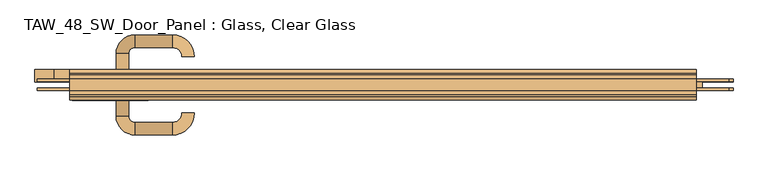
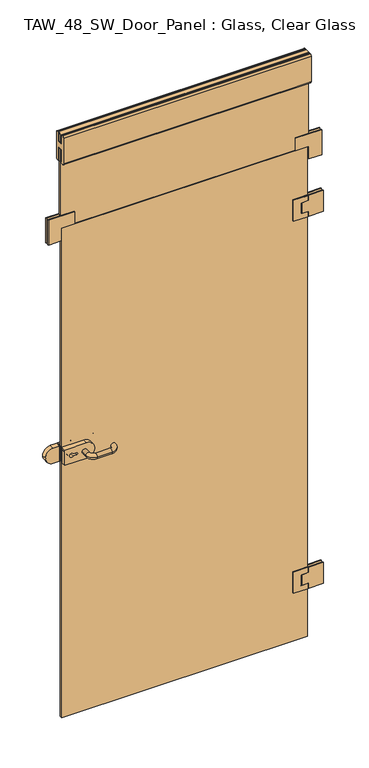
"""IFC4 building model written with IfcOpenShell, lengths in millimetres: door geometry, TAW_48_SW_Door_Panel : Glass, Clear Glass."""

from ifc_helpers import new_model, si_unit, point, frame, frame_2d, origin, place, context, project, spatial, polyline, circle_curve, ellipse_curve, trimmed, segment, composite_curve, outline, extrude, source, transform, mapped, element, save
from ifc_brep_helpers import plane_surface, cylinder_surface, revolved_surface, advanced_brep


def taw_48_sw_door_panel_glass_clear_glass_dbb18d45(model_context):
    return source(origin(), model_context, "Body", "SolidModel", [
        extrude(outline(composite_curve([segment(polyline([(1162.5, -407.0), (1162.5, -496.0), (1097.5, -496.0), (1097.5, -407.0)]), True, "CONTINUOUS"), segment(trimmed(circle_curve(frame_2d((1130.0, -407.0)), 32.5), [point((1097.5, -407.0))], [point((1162.5, -407.0))], False, "CARTESIAN"), True, "CONTINUOUS")], self_intersect=False), holes=[composite_curve([segment(trimmed(circle_curve(frame_2d((1130.0, -468.3829212)), 8.0), [point((1126.0, -461.454718))], [point((1134.0, -461.454718))], True, "CARTESIAN"), True, "CONTINUOUS"), segment(polyline([(1134.0, -461.454718), (1134.0, -448.3829212)]), True, "CONTINUOUS"), segment(trimmed(circle_curve(frame_2d((1130.0, -448.3829212)), 4.0), [point((1134.0, -448.3829212))], [point((1126.0, -448.3829212))], True, "CARTESIAN"), True, "CONTINUOUS"), segment(polyline([(1126.0, -448.3829212), (1126.0, -461.454718)]), True, "CONTINUOUS")], self_intersect=False)]), frame((0.0, 5.0, 0.0), z_axis=(0.0, 1.0, 0.0), x_axis=(0.0, 0.0, 1.0)), (0.0, 0.0, 1.0), 20.0),
        extrude(outline(composite_curve([segment(polyline([(1162.5, -407.0), (1162.5, -496.0), (1097.5, -496.0), (1097.5, -407.0)]), True, "CONTINUOUS"), segment(trimmed(circle_curve(frame_2d((1130.0, -407.0)), 32.5), [point((1097.5, -407.0))], [point((1162.5, -407.0))], False, "CARTESIAN"), True, "CONTINUOUS")], self_intersect=False), holes=[composite_curve([segment(trimmed(circle_curve(frame_2d((1130.0, -468.3829212)), 8.0), [point((1126.0, -461.454718))], [point((1134.0, -461.454718))], True, "CARTESIAN"), True, "CONTINUOUS"), segment(polyline([(1134.0, -461.454718), (1134.0, -448.3829212)]), True, "CONTINUOUS"), segment(trimmed(circle_curve(frame_2d((1130.0, -448.3829212)), 4.0), [point((1134.0, -448.3829212))], [point((1126.0, -448.3829212))], True, "CARTESIAN"), True, "CONTINUOUS"), segment(polyline([(1126.0, -448.3829212), (1126.0, -461.454718)]), True, "CONTINUOUS")], self_intersect=False)]), frame((0.0, -25.0, 0.0), z_axis=(0.0, 1.0, 0.0), x_axis=(0.0, 0.0, 1.0)), (0.0, 0.0, 1.0), 20.0),
        advanced_brep(
        [(-406.0, -25.0, 1130.0), (-426.0, -25.0, 1130.0), (-406.0, -50.0, 1130.0), (-426.0, -50.0, 1130.0), (-396.0, -60.0, 1130.0), (-396.0, -80.0, 1130.0), (-336.0, -60.0, 1130.0), (-336.0, -80.0, 1130.0), (-321.0, -45.0, 1130.0), (-301.0, -45.0, 1130.0)],
        [
            (0, 1, circle_curve(frame((-416.0, -25.0, 1130.0), z_axis=(0.0, 1.0, 0.0), x_axis=(-1.0, 0.0, 0.0)), 10.0)),
            (1, 0, circle_curve(frame((-416.0, -25.0, 1130.0), z_axis=(0.0, 1.0, 0.0), x_axis=(-1.0, 0.0, 0.0)), 10.0)),
            (0, 2),
            (2, 3, circle_curve(frame((-416.0, -50.0, 1130.0), z_axis=(0.0, 1.0, 0.0), x_axis=(-1.0, 0.0, 0.0)), 10.0)),
            (3, 1),
            (3, 2, circle_curve(frame((-416.0, -50.0, 1130.0), z_axis=(0.0, 1.0, 0.0), x_axis=(-1.0, 0.0, 0.0)), 10.0)),
            (4, 5, circle_curve(frame((-396.0, -70.0, 1130.0), z_axis=(-1.0, 0.0, 0.0), x_axis=(0.0, -1.0, 0.0)), 10.0)),
            (5, 3, circle_curve(frame((-396.0, -50.0, 1130.0), z_axis=(0.0, 0.0, -1.0), x_axis=(-1.0, 0.0, 0.0)), 30.0)),
            (2, 4, circle_curve(frame((-396.0, -50.0, 1130.0), z_axis=(0.0, 0.0, 1.0), x_axis=(-1.0, 0.0, 0.0)), 10.0)),
            (5, 4, circle_curve(frame((-396.0, -70.0, 1130.0), z_axis=(-1.0, 0.0, 0.0), x_axis=(0.0, -1.0, 0.0)), 10.0)),
            (4, 6),
            (6, 7, circle_curve(frame((-336.0, -70.0, 1130.0), z_axis=(-1.0, 0.0, 0.0), x_axis=(0.0, -1.0, 0.0)), 10.0)),
            (7, 5),
            (7, 6, circle_curve(frame((-336.0, -70.0, 1130.0), z_axis=(-1.0, 0.0, 0.0), x_axis=(0.0, -1.0, 0.0)), 10.0)),
            (8, 9, circle_curve(frame((-311.0, -45.0, 1130.0), z_axis=(0.0, 1.0, 0.0), x_axis=(1.0, 0.0, 0.0)), 10.0)),
            (9, 8, circle_curve(frame((-311.0, -45.0, 1130.0), z_axis=(0.0, 1.0, 0.0), x_axis=(1.0, 0.0, 0.0)), 10.0)),
            (9, 7, circle_curve(frame((-336.0, -45.0, 1130.0), z_axis=(0.0, 0.0, -1.0), x_axis=(0.0, -1.0, 0.0)), 35.0)),
            (6, 8, circle_curve(frame((-336.0, -45.0, 1130.0), z_axis=(0.0, 0.0, 1.0), x_axis=(0.0, -1.0, 0.0)), 15.0)),
        ],
        [
            plane_surface(frame((-416.0, -25.0, 1130.0), z_axis=(0.0, 1.0, 0.0), x_axis=(0.0, 0.0, 1.0))),
            cylinder_surface(frame((-416.0, -25.0, 1130.0), z_axis=(0.0, 1.0, 0.0), x_axis=(-1.0, 0.0, 0.0)), 10.0),
            revolved_surface(trimmed(ellipse_curve(frame((-416.0, -50.0, 1130.0), z_axis=(0.0, -1.0, 0.0), x_axis=(-1.0, 0.0, 0.0)), 10.0, 10.0), [point((-426.0, -50.0, 1130.0))], [point((-406.0, -50.0, 1130.0))], True, "CARTESIAN"), (-396.0, -50.0, 1130.0), (0.0, 0.0, -1.0)),
            revolved_surface(trimmed(ellipse_curve(frame((-416.0, -50.0, 1130.0), z_axis=(0.0, -1.0, 0.0), x_axis=(-1.0, 0.0, 0.0)), 10.0, 10.0), [point((-406.0, -50.0, 1130.0))], [point((-426.0, -50.0, 1130.0))], True, "CARTESIAN"), (-396.0, -50.0, 1130.0), (0.0, 0.0, -1.0)),
            cylinder_surface(frame((-396.0, -70.0, 1130.0), z_axis=(-1.0, 0.0, 0.0), x_axis=(0.0, -1.0, 0.0)), 10.0),
            plane_surface(frame((-311.0, -45.0, 1130.0), z_axis=(0.0, 1.0, 0.0), x_axis=(0.0, 0.0, 1.0))),
            revolved_surface(trimmed(ellipse_curve(frame((-336.0, -70.0, 1130.0), z_axis=(1.0, 0.0, 0.0), x_axis=(0.0, -1.0, 0.0)), 10.0, 10.0), [point((-336.0, -80.0, 1130.0))], [point((-336.0, -60.0, 1130.0))], True, "CARTESIAN"), (-336.0, -45.0, 1130.0), (0.0, 0.0, -1.0)),
            revolved_surface(trimmed(ellipse_curve(frame((-336.0, -70.0, 1130.0), z_axis=(1.0, 0.0, 0.0), x_axis=(0.0, -1.0, 0.0)), 10.0, 10.0), [point((-336.0, -60.0, 1130.0))], [point((-336.0, -80.0, 1130.0))], True, "CARTESIAN"), (-336.0, -45.0, 1130.0), (0.0, 0.0, -1.0)),
        ],
        [
            (0, [[1, 2]]),
            (1, [[3, 4, 5, -1]]),
            (1, [[-5, 6, -3, -2]]),
            (2, [[7, 8, -4, 9]]),
            (3, [[10, -9, -6, -8]]),
            (4, [[11, 12, 13, -7]]),
            (4, [[-13, 14, -11, -10]]),
            (5, [[15, 16]]),
            (6, [[-16, 17, -12, 18]]),
            (7, [[-15, -18, -14, -17]]),
        ],
    ),
        advanced_brep(
        [(-426.0, 25.0, 1130.0), (-406.0, 25.0, 1130.0), (-406.0, 50.0, 1130.0), (-426.0, 50.0, 1130.0), (-396.0, 60.0, 1130.0), (-396.0, 80.0, 1130.0), (-336.0, 60.0, 1130.0), (-336.0, 80.0, 1130.0), (-301.0, 45.0, 1130.0), (-321.0, 45.0, 1130.0)],
        [
            (0, 1, circle_curve(frame((-416.0, 25.0, 1130.0), z_axis=(0.0, -1.0, 0.0), x_axis=(1.0, 0.0, 0.0)), 10.0)),
            (1, 0, circle_curve(frame((-416.0, 25.0, 1130.0), z_axis=(0.0, -1.0, 0.0), x_axis=(1.0, 0.0, 0.0)), 10.0)),
            (1, 2),
            (2, 3, circle_curve(frame((-416.0, 50.0, 1130.0), z_axis=(0.0, -1.0, 0.0), x_axis=(1.0, 0.0, 0.0)), 10.0)),
            (3, 0),
            (3, 2, circle_curve(frame((-416.0, 50.0, 1130.0), z_axis=(0.0, -1.0, 0.0), x_axis=(1.0, 0.0, 0.0)), 10.0)),
            (4, 5, circle_curve(frame((-396.0, 70.0, 1130.0), z_axis=(-1.0, 0.0, 0.0), x_axis=(0.0, -1.0, 0.0)), 10.0)),
            (5, 3, circle_curve(frame((-396.0, 50.0, 1130.0), z_axis=(0.0, 0.0, 1.0), x_axis=(-1.0, 0.0, 0.0)), 30.0)),
            (2, 4, circle_curve(frame((-396.0, 50.0, 1130.0), z_axis=(0.0, 0.0, -1.0), x_axis=(-1.0, 0.0, 0.0)), 10.0)),
            (5, 4, circle_curve(frame((-396.0, 70.0, 1130.0), z_axis=(-1.0, 0.0, 0.0), x_axis=(0.0, -1.0, 0.0)), 10.0)),
            (4, 6),
            (6, 7, circle_curve(frame((-336.0, 70.0, 1130.0), z_axis=(-1.0, 0.0, 0.0), x_axis=(0.0, -1.0, 0.0)), 10.0)),
            (7, 5),
            (7, 6, circle_curve(frame((-336.0, 70.0, 1130.0), z_axis=(-1.0, 0.0, 0.0), x_axis=(0.0, -1.0, 0.0)), 10.0)),
            (8, 9, circle_curve(frame((-311.0, 45.0, 1130.0), z_axis=(0.0, -1.0, 0.0), x_axis=(-1.0, 0.0, 0.0)), 10.0)),
            (9, 8, circle_curve(frame((-311.0, 45.0, 1130.0), z_axis=(0.0, -1.0, 0.0), x_axis=(-1.0, 0.0, 0.0)), 10.0)),
            (8, 7, circle_curve(frame((-336.0, 45.0, 1130.0), z_axis=(0.0, 0.0, 1.0), x_axis=(0.0, 1.0, 0.0)), 35.0)),
            (6, 9, circle_curve(frame((-336.0, 45.0, 1130.0), z_axis=(0.0, 0.0, -1.0), x_axis=(0.0, 1.0, 0.0)), 15.0)),
        ],
        [
            plane_surface(frame((-416.0, 25.0, 1130.0), z_axis=(0.0, -1.0, 0.0), x_axis=(0.0, 0.0, 1.0))),
            cylinder_surface(frame((-416.0, 25.0, 1130.0), z_axis=(0.0, -1.0, 0.0), x_axis=(1.0, 0.0, 0.0)), 10.0),
            revolved_surface(trimmed(ellipse_curve(frame((-416.0, 50.0, 1130.0), z_axis=(0.0, 1.0, 0.0), x_axis=(1.0, 0.0, 0.0)), 10.0, 10.0), [point((-426.0, 50.0, 1130.0))], [point((-406.0, 50.0, 1130.0))], True, "CARTESIAN"), (-396.0, 50.0, 1130.0), (0.0, 0.0, 1.0)),
            revolved_surface(trimmed(ellipse_curve(frame((-416.0, 50.0, 1130.0), z_axis=(0.0, 1.0, 0.0), x_axis=(1.0, 0.0, 0.0)), 10.0, 10.0), [point((-406.0, 50.0, 1130.0))], [point((-426.0, 50.0, 1130.0))], True, "CARTESIAN"), (-396.0, 50.0, 1130.0), (0.0, 0.0, 1.0)),
            cylinder_surface(frame((-396.0, 70.0, 1130.0), z_axis=(-1.0, 0.0, 0.0), x_axis=(0.0, -1.0, 0.0)), 10.0),
            plane_surface(frame((-311.0, 45.0, 1130.0), z_axis=(0.0, -1.0, 0.0), x_axis=(0.0, 0.0, 1.0))),
            revolved_surface(trimmed(ellipse_curve(frame((-336.0, 70.0, 1130.0), z_axis=(1.0, 0.0, 0.0), x_axis=(0.0, -1.0, 0.0)), 10.0, 10.0), [point((-336.0, 80.0, 1130.0))], [point((-336.0, 60.0, 1130.0))], True, "CARTESIAN"), (-336.0, 45.0, 1130.0), (0.0, 0.0, 1.0)),
            revolved_surface(trimmed(ellipse_curve(frame((-336.0, 70.0, 1130.0), z_axis=(1.0, 0.0, 0.0), x_axis=(0.0, -1.0, 0.0)), 10.0, 10.0), [point((-336.0, 60.0, 1130.0))], [point((-336.0, 80.0, 1130.0))], True, "CARTESIAN"), (-336.0, 45.0, 1130.0), (0.0, 0.0, 1.0)),
        ],
        [
            (0, [[1, 2]]),
            (1, [[3, 4, 5, -2]]),
            (1, [[-5, 6, -3, -1]]),
            (2, [[7, 8, -4, 9]]),
            (3, [[10, -9, -6, -8]]),
            (4, [[11, 12, 13, -7]]),
            (4, [[-13, 14, -11, -10]]),
            (5, [[15, 16]]),
            (6, [[-15, 17, -12, 18]]),
            (7, [[-16, -18, -14, -17]]),
        ],
    ),
        extrude(outline(composite_curve([segment(trimmed(circle_curve(frame_2d((1129.9592395, -523.0664624)), 32.5981542), [point((1162.5, -525.0))], [point((1130.0, -555.6645912))], False, "CARTESIAN"), True, "CONTINUOUS"), segment(trimmed(circle_curve(frame_2d((1129.9594159, -523.2075357)), 32.4570808), [point((1130.0, -555.6645912))], [point((1097.5518679, -525.0))], False, "CARTESIAN"), True, "CONTINUOUS"), segment(polyline([(1097.5518679, -525.0), (1097.5518679, -500.0), (1162.5, -500.0), (1162.5, -525.0)]), True, "CONTINUOUS")], self_intersect=False)), frame((0.0, 5.0, 0.0), z_axis=(0.0, 1.0, 0.0), x_axis=(0.0, 0.0, 1.0)), (0.0, 0.0, 1.0), 20.0),
        extrude(outline(polyline([(2100.0, -446.0), (2152.0, -446.0), (2152.0, -552.0), (2046.0, -552.0), (2046.0, -500.0), (2100.0, -500.0), (2100.0, -446.0)])), frame((0.0, -9.0, 0.0), z_axis=(0.0, 1.0, 0.0), x_axis=(0.0, 0.0, 1.0)), (0.0, 0.0, 1.0), 4.0),
        extrude(outline(polyline([(2100.0, -446.0), (2152.0, -446.0), (2152.0, -552.0), (2046.0, -552.0), (2046.0, -500.0), (2100.0, -500.0), (2100.0, -446.0)])), frame((0.0, 5.0, 0.0), z_axis=(0.0, 1.0, 0.0), x_axis=(0.0, 0.0, 1.0)), (0.0, 0.0, 1.0), 4.0),
        extrude(outline(polyline([(2100.0, 446.0), (2100.0, 500.0), (2046.0, 500.0), (2046.0, 552.0), (2152.0, 552.0), (2152.0, 446.0), (2100.0, 446.0)])), frame((0.0, -9.0, 0.0), z_axis=(0.0, 1.0, 0.0), x_axis=(0.0, 0.0, 1.0)), (0.0, 0.0, 1.0), 4.0),
        extrude(outline(polyline([(2100.0, 446.0), (2100.0, 500.0), (2046.0, 500.0), (2046.0, 552.0), (2152.0, 552.0), (2152.0, 446.0), (2100.0, 446.0)])), frame((0.0, 5.0, 0.0), z_axis=(0.0, 1.0, 0.0), x_axis=(0.0, 0.0, 1.0)), (0.0, 0.0, 1.0), 4.0),
        extrude(outline(polyline([(468.0, -5.0), (468.0, 5.0), (496.0, 5.0), (496.0, -5.0), (468.0, -5.0)])), frame((0.0, 0.0, 1801.0), z_axis=(0.0, 0.0, 1.0), x_axis=(1.0, 0.0, 0.0)), (0.0, 0.0, 1.0), 22.5),
        extrude(outline(polyline([(1891.0, 437.0), (1801.0, 437.0), (1801.0, 496.0), (1823.5, 496.0), (1823.5, 468.0), (1868.5, 468.0), (1868.5, 496.0), (1891.0, 496.0), (1891.0, 437.0)])), frame((0.0, 5.0, 0.0), z_axis=(0.0, 1.0, 0.0), x_axis=(0.0, 0.0, 1.0)), (0.0, 0.0, 1.0), 4.0),
        extrude(outline(polyline([(468.0, -5.0), (468.0, 5.0), (496.0, 5.0), (496.0, -5.0), (468.0, -5.0)])), frame((0.0, 0.0, 1868.5), z_axis=(0.0, 0.0, 1.0), x_axis=(1.0, 0.0, 0.0)), (0.0, 0.0, 1.0), 22.5),
        advanced_brep(
        [(474.0, -9.0, 1868.5), (500.0, -9.0, 1868.5), (500.0, -5.0, 1868.5), (510.0, -5.0, 1868.5), (510.0, 5.0, 1868.5), (500.0, 5.0, 1868.5), (500.0, 9.0, 1868.5), (474.0, 9.0, 1868.5), (474.0, -9.0, 1823.5), (474.0, 9.0, 1823.5), (500.0, 9.0, 1823.5), (500.0, 5.0, 1823.5), (510.0, 5.0, 1823.5), (510.0, -5.0, 1823.5), (500.0, -5.0, 1823.5), (500.0, -9.0, 1823.5), (500.0, 9.0, 1891.0), (559.0, 9.0, 1891.0), (559.0, 9.0, 1801.0), (500.0, 9.0, 1801.0), (500.0, -9.0, 1801.0), (559.0, -9.0, 1801.0), (559.0, -9.0, 1891.0), (500.0, -9.0, 1891.0), (500.0, 5.0, 1891.0), (559.0, 5.0, 1891.0), (559.0, 5.0, 1801.0), (500.0, 5.0, 1801.0), (500.0, -5.0, 1891.0), (559.0, -5.0, 1891.0), (500.0, -5.0, 1801.0), (559.0, -5.0, 1801.0)],
        [
            (0, 1),
            (1, 2),
            (2, 3),
            (3, 4),
            (4, 5),
            (5, 6),
            (6, 7),
            (7, 0, circle_curve(frame((477.75, 0.0, 1868.5), z_axis=(0.0, 0.0, 1.0), x_axis=(0.0, -1.0000000000000004, 0.0)), 9.75)),
            (8, 9, circle_curve(frame((477.75, 0.0, 1823.5), z_axis=(0.0, 0.0, -1.0), x_axis=(0.0, -1.0000000000000004, 0.0)), 9.75)),
            (9, 10),
            (10, 11),
            (11, 12),
            (12, 13),
            (13, 14),
            (14, 15),
            (15, 8),
            (6, 16),
            (16, 17),
            (17, 18),
            (18, 19),
            (19, 10),
            (9, 7),
            (0, 8),
            (15, 20),
            (20, 21),
            (21, 22),
            (22, 23),
            (23, 1),
            (16, 24),
            (24, 25),
            (25, 17),
            (18, 26),
            (26, 27),
            (27, 19),
            (25, 26),
            (24, 5),
            (4, 12),
            (11, 27),
            (28, 23),
            (22, 29),
            (29, 28),
            (30, 31),
            (31, 21),
            (20, 30),
            (29, 31),
            (30, 14),
            (13, 3),
            (2, 28),
        ],
        [
            plane_surface(frame((496.0, 0.0, 1868.5), z_axis=(0.0, 0.0, 1.0), x_axis=(0.0, -1.0, 0.0))),
            plane_surface(frame((496.0, 0.0, 1823.5), z_axis=(0.0, 0.0, -1.0), x_axis=(0.0, -1.0, 0.0))),
            plane_surface(frame((474.0, 9.0, 1868.5), z_axis=(0.0, 1.0, 0.0), x_axis=(0.0, 0.0, -1.0))),
            plane_surface(frame((500.0, -9.0, 1868.5), z_axis=(0.0, -1.0, 0.0), x_axis=(0.0, 0.0, -1.0))),
            plane_surface(frame((559.0, 9.0, 1891.0), z_axis=(0.0, 0.0, 1.0), x_axis=(1.0, 0.0, 0.0))),
            plane_surface(frame((559.0, 9.0, 1801.0), z_axis=(0.0, 0.0, -1.0), x_axis=(-1.0, 0.0, 0.0))),
            plane_surface(frame((559.0, 9.0, 1891.0), z_axis=(1.0, 0.0, 0.0), x_axis=(0.0, 0.0, -1.0))),
            plane_surface(frame((559.0, 5.0, 1891.0), z_axis=(0.0, -1.0, 0.0), x_axis=(0.0, 0.0, -1.0))),
            plane_surface(frame((500.0, 5.0, 1891.0), z_axis=(-1.0, 0.0, 0.0), x_axis=(0.0, 0.0, -1.0))),
            plane_surface(frame((559.0, -5.0, 1891.0), z_axis=(0.0, 0.0, 1.0), x_axis=(1.0, 0.0, 0.0))),
            plane_surface(frame((559.0, -5.0, 1801.0), z_axis=(0.0, 0.0, -1.0), x_axis=(-1.0, 0.0, 0.0))),
            plane_surface(frame((500.0, -5.0, 1891.0), z_axis=(0.0, 1.0, 0.0), x_axis=(0.0, 0.0, -1.0))),
            plane_surface(frame((559.0, -5.0, 1891.0), z_axis=(1.0, 0.0, 0.0), x_axis=(0.0, 0.0, -1.0))),
            plane_surface(frame((500.0, -9.0, 1891.0), z_axis=(-1.0, 0.0, 0.0), x_axis=(0.0, 0.0, -1.0))),
            plane_surface(frame((510.0, 5.0, 1868.5), z_axis=(1.0, 0.0, 0.0), x_axis=(0.0, 0.0, -1.0))),
            cylinder_surface(frame((477.75, 0.0, 1868.5), z_axis=(0.0, 0.0, 1.0), x_axis=(0.0, -1.0000000000000004, 0.0)), 9.75),
        ],
        [
            (0, [[1, 2, 3, 4, 5, 6, 7, 8]]),
            (1, [[9, 10, 11, 12, 13, 14, 15, 16]]),
            (2, [[17, 18, 19, 20, 21, -10, 22, -7]]),
            (3, [[23, -16, 24, 25, 26, 27, 28, -1]]),
            (4, [[29, 30, 31, -18]]),
            (5, [[-20, 32, 33, 34]]),
            (6, [[35, -32, -19, -31]]),
            (7, [[36, -5, 37, -12, 38, -33, -35, -30]]),
            (8, [[-17, -6, -36, -29]]),
            (8, [[-38, -11, -21, -34]]),
            (9, [[39, -27, 40, 41]]),
            (10, [[42, 43, -25, 44]]),
            (11, [[45, -42, 46, -14, 47, -3, 48, -41]]),
            (12, [[-26, -43, -45, -40]]),
            (13, [[-48, -2, -28, -39]]),
            (13, [[-24, -15, -46, -44]]),
            (14, [[-47, -13, -37, -4]]),
            (15, [[-22, -9, -23, -8]]),
        ],
    ),
        extrude(outline(polyline([(1891.0, 437.0), (1801.0, 437.0), (1801.0, 496.0), (1823.5, 496.0), (1823.5, 468.0), (1868.5, 468.0), (1868.5, 496.0), (1891.0, 496.0), (1891.0, 437.0)])), frame((0.0, -9.0, 0.0), z_axis=(0.0, 1.0, 0.0), x_axis=(0.0, 0.0, 1.0)), (0.0, 0.0, 1.0), 4.0),
        extrude(outline(composite_curve([segment(trimmed(circle_curve(frame_2d((474.0, 0.0)), 4.0), [point((478.0, 0.0))], [point((470.0, 0.0))], False, "CARTESIAN"), True, "CONTINUOUS"), segment(trimmed(circle_curve(frame_2d((474.0, 0.0)), 4.0), [point((470.0, 0.0))], [point((478.0, 0.0))], False, "CARTESIAN"), True, "CONTINUOUS")], self_intersect=False)), frame((0.0, 0.0, 1823.5), z_axis=(0.0, 0.0, 1.0), x_axis=(1.0, 0.0, 0.0)), (0.0, 0.0, 1.0), 45.0),
        extrude(outline(polyline([(468.0, -5.0), (468.0, 5.0), (496.0, 5.0), (496.0, -5.0), (468.0, -5.0)])), frame((0.0, 0.0, 215.0), z_axis=(0.0, 0.0, 1.0), x_axis=(1.0, 0.0, 0.0)), (0.0, 0.0, 1.0), 22.5),
        extrude(outline(polyline([(305.0, 437.0), (215.0, 437.0), (215.0, 496.0), (237.5, 496.0), (237.5, 468.0), (282.5, 468.0), (282.5, 496.0), (305.0, 496.0), (305.0, 437.0)])), frame((0.0, 5.0, 0.0), z_axis=(0.0, 1.0, 0.0), x_axis=(0.0, 0.0, 1.0)), (0.0, 0.0, 1.0), 4.0),
        extrude(outline(polyline([(468.0, -5.0), (468.0, 5.0), (496.0, 5.0), (496.0, -5.0), (468.0, -5.0)])), frame((0.0, 0.0, 282.5), z_axis=(0.0, 0.0, 1.0), x_axis=(1.0, 0.0, 0.0)), (0.0, 0.0, 1.0), 22.5),
        advanced_brep(
        [(474.0, -9.0, 282.5), (500.0, -9.0, 282.5), (500.0, -5.0, 282.5), (510.0, -5.0, 282.5), (510.0, 5.0, 282.5), (500.0, 5.0, 282.5), (500.0, 9.0, 282.5), (474.0, 9.0, 282.5), (474.0, -9.0, 237.5), (474.0, 9.0, 237.5), (500.0, 9.0, 237.5), (500.0, 5.0, 237.5), (510.0, 5.0, 237.5), (510.0, -5.0, 237.5), (500.0, -5.0, 237.5), (500.0, -9.0, 237.5), (500.0, 9.0, 305.0), (559.0, 9.0, 305.0), (559.0, 9.0, 215.0), (500.0, 9.0, 215.0), (500.0, -9.0, 215.0), (559.0, -9.0, 215.0), (559.0, -9.0, 305.0), (500.0, -9.0, 305.0), (500.0, 5.0, 305.0), (559.0, 5.0, 305.0), (559.0, 5.0, 215.0), (500.0, 5.0, 215.0), (500.0, -5.0, 305.0), (559.0, -5.0, 305.0), (500.0, -5.0, 215.0), (559.0, -5.0, 215.0)],
        [
            (0, 1),
            (1, 2),
            (2, 3),
            (3, 4),
            (4, 5),
            (5, 6),
            (6, 7),
            (7, 0, circle_curve(frame((477.75, 0.0, 282.5), z_axis=(0.0, 0.0, 1.0), x_axis=(0.0, -1.0000000000000004, 0.0)), 9.75)),
            (8, 9, circle_curve(frame((477.75, 0.0, 237.5), z_axis=(0.0, 0.0, -1.0), x_axis=(0.0, -1.0000000000000004, 0.0)), 9.75)),
            (9, 10),
            (10, 11),
            (11, 12),
            (12, 13),
            (13, 14),
            (14, 15),
            (15, 8),
            (6, 16),
            (16, 17),
            (17, 18),
            (18, 19),
            (19, 10),
            (9, 7),
            (0, 8),
            (15, 20),
            (20, 21),
            (21, 22),
            (22, 23),
            (23, 1),
            (16, 24),
            (24, 25),
            (25, 17),
            (18, 26),
            (26, 27),
            (27, 19),
            (25, 26),
            (24, 5),
            (4, 12),
            (11, 27),
            (28, 23),
            (22, 29),
            (29, 28),
            (30, 31),
            (31, 21),
            (20, 30),
            (29, 31),
            (30, 14),
            (13, 3),
            (2, 28),
        ],
        [
            plane_surface(frame((496.0, 0.0, 282.5), z_axis=(0.0, 0.0, 1.0), x_axis=(0.0, -1.0, 0.0))),
            plane_surface(frame((496.0, 0.0, 237.5), z_axis=(0.0, 0.0, -1.0), x_axis=(0.0, -1.0, 0.0))),
            plane_surface(frame((474.0, 9.0, 282.5), z_axis=(0.0, 1.0, 0.0), x_axis=(0.0, 0.0, -1.0))),
            plane_surface(frame((500.0, -9.0, 282.5), z_axis=(0.0, -1.0, 0.0), x_axis=(0.0, 0.0, -1.0))),
            plane_surface(frame((559.0, 9.0, 305.0), z_axis=(0.0, 0.0, 1.0), x_axis=(1.0, 0.0, 0.0))),
            plane_surface(frame((559.0, 9.0, 215.0), z_axis=(0.0, 0.0, -1.0), x_axis=(-1.0, 0.0, 0.0))),
            plane_surface(frame((559.0, 9.0, 305.0), z_axis=(1.0, 0.0, 0.0), x_axis=(0.0, 0.0, -1.0))),
            plane_surface(frame((559.0, 5.0, 305.0), z_axis=(0.0, -1.0, 0.0), x_axis=(0.0, 0.0, -1.0))),
            plane_surface(frame((500.0, 5.0, 305.0), z_axis=(-1.0, 0.0, 0.0), x_axis=(0.0, 0.0, -1.0))),
            plane_surface(frame((559.0, -5.0, 305.0), z_axis=(0.0, 0.0, 1.0), x_axis=(1.0, 0.0, 0.0))),
            plane_surface(frame((559.0, -5.0, 215.0), z_axis=(0.0, 0.0, -1.0), x_axis=(-1.0, 0.0, 0.0))),
            plane_surface(frame((500.0, -5.0, 305.0), z_axis=(0.0, 1.0, 0.0), x_axis=(0.0, 0.0, -1.0))),
            plane_surface(frame((559.0, -5.0, 305.0), z_axis=(1.0, 0.0, 0.0), x_axis=(0.0, 0.0, -1.0))),
            plane_surface(frame((500.0, -9.0, 305.0), z_axis=(-1.0, 0.0, 0.0), x_axis=(0.0, 0.0, -1.0))),
            plane_surface(frame((510.0, 5.0, 282.5), z_axis=(1.0, 0.0, 0.0), x_axis=(0.0, 0.0, -1.0))),
            cylinder_surface(frame((477.75, 0.0, 282.5), z_axis=(0.0, 0.0, 1.0), x_axis=(0.0, -1.0000000000000004, 0.0)), 9.75),
        ],
        [
            (0, [[1, 2, 3, 4, 5, 6, 7, 8]]),
            (1, [[9, 10, 11, 12, 13, 14, 15, 16]]),
            (2, [[17, 18, 19, 20, 21, -10, 22, -7]]),
            (3, [[23, -16, 24, 25, 26, 27, 28, -1]]),
            (4, [[29, 30, 31, -18]]),
            (5, [[-20, 32, 33, 34]]),
            (6, [[35, -32, -19, -31]]),
            (7, [[36, -5, 37, -12, 38, -33, -35, -30]]),
            (8, [[-17, -6, -36, -29]]),
            (8, [[-38, -11, -21, -34]]),
            (9, [[39, -27, 40, 41]]),
            (10, [[42, 43, -25, 44]]),
            (11, [[45, -42, 46, -14, 47, -3, 48, -41]]),
            (12, [[-26, -43, -45, -40]]),
            (13, [[-48, -2, -28, -39]]),
            (13, [[-24, -15, -46, -44]]),
            (14, [[-47, -13, -37, -4]]),
            (15, [[-22, -9, -23, -8]]),
        ],
    ),
        extrude(outline(polyline([(305.0, 437.0), (215.0, 437.0), (215.0, 496.0), (237.5, 496.0), (237.5, 468.0), (282.5, 468.0), (282.5, 496.0), (305.0, 496.0), (305.0, 437.0)])), frame((0.0, -9.0, 0.0), z_axis=(0.0, 1.0, 0.0), x_axis=(0.0, 0.0, 1.0)), (0.0, 0.0, 1.0), 4.0),
        extrude(outline(composite_curve([segment(trimmed(circle_curve(frame_2d((474.0, 0.0)), 4.0), [point((478.0, 0.0))], [point((470.0, 0.0))], False, "CARTESIAN"), True, "CONTINUOUS"), segment(trimmed(circle_curve(frame_2d((474.0, 0.0)), 4.0), [point((470.0, 0.0))], [point((478.0, 0.0))], False, "CARTESIAN"), True, "CONTINUOUS")], self_intersect=False)), frame((0.0, 0.0, 237.5), z_axis=(0.0, 0.0, 1.0), x_axis=(1.0, 0.0, 0.0)), (0.0, 0.0, 1.0), 45.0),
        extrude(outline(polyline([(496.0, -5.0), (-496.0, -5.0), (-496.0, 5.0), (496.0, 5.0), (496.0, -5.0)])), frame((0.0, 0.0, 10.0), z_axis=(0.0, 0.0, 1.0), x_axis=(1.0, 0.0, 0.0)), (0.0, 0.0, 1.0), 2086.0),
        extrude(outline(polyline([(-9.0, 2500.0), (9.0, 2500.0), (9.0, 2461.2139286), (5.0, 2461.2139286), (5.0, 2496.0), (-5.0, 2496.0), (-5.0, 2461.2139286), (-9.0, 2461.2139286), (-9.0, 2500.0)])), frame((-500.0, 0.0, 0.0), z_axis=(1.0, 0.0, 0.0), x_axis=(0.0, 1.0, 0.0)), (0.0, 0.0, 1.0), 1000.0),
        extrude(outline(composite_curve([segment(polyline([(-6.0, 2377.0), (-16.7, 2377.0)]), True, "CONTINUOUS"), segment(trimmed(circle_curve(frame_2d((-16.7, 2384.3)), 7.3), [point((-16.7, 2377.0))], [point((-24.0, 2384.3))], False, "CARTESIAN"), True, "CONTINUOUS"), segment(polyline([(-24.0, 2384.3), (-24.0, 2492.9688758)]), True, "CONTINUOUS"), segment(trimmed(circle_curve(frame_2d((-16.7, 2492.9688758)), 7.3), [point((-24.0, 2492.9688758))], [point((-18.6629804, 2500.0))], False, "CARTESIAN"), True, "CONTINUOUS"), segment(polyline([(-18.6629804, 2500.0), (-16.0197946, 2500.0), (-16.0197946, 2498.0667957), (-9.5, 2498.0667957), (-9.5, 2461.0667957), (9.5, 2461.0667957), (9.5, 2498.0667957), (16.0197946, 2498.0667957), (16.0197946, 2500.0), (18.6629804, 2500.0)]), True, "CONTINUOUS"), segment(trimmed(circle_curve(frame_2d((16.7, 2492.9688758)), 7.3), [point((18.6629804, 2500.0))], [point((24.0, 2492.9688758))], False, "CARTESIAN"), True, "CONTINUOUS"), segment(polyline([(24.0, 2492.9688758), (24.0, 2384.3)]), True, "CONTINUOUS"), segment(trimmed(circle_curve(frame_2d((16.7, 2384.3)), 7.3), [point((24.0, 2384.3))], [point((16.7, 2377.0))], False, "CARTESIAN"), True, "CONTINUOUS"), segment(polyline([(16.7, 2377.0), (6.0, 2377.0), (6.0, 2378.9188758), (9.5, 2378.9188758), (9.5, 2434.6666978), (-9.5, 2434.6666978), (-9.5, 2378.9188758), (-6.0, 2378.9188758), (-6.0, 2377.0)]), True, "CONTINUOUS")], self_intersect=False)), frame((-500.0, 0.0, 0.0), z_axis=(1.0, 0.0, 0.0), x_axis=(0.0, 1.0, 0.0)), (0.0, 0.0, 1.0), 1000.0),
        extrude(outline(polyline([(500.0, -5.0), (-500.0, -5.0), (-500.0, 5.0), (500.0, 5.0), (500.0, -5.0)])), frame((0.0, 0.0, 2100.0), z_axis=(0.0, 0.0, 1.0), x_axis=(1.0, 0.0, 0.0)), (0.0, 0.0, 1.0), 334.6666978),
    ])


if __name__ == "__main__":
    model = new_model("IFC4")
    model_context = context("Model", 3, world=origin())
    ifc_project = project(units=[si_unit("LENGTHUNIT", "METRE", prefix="MILLI")], contexts=[model_context])
    site = spatial("IfcSite", under=ifc_project)
    building = spatial("IfcBuilding", under=site)
    placement = place(None, origin())
    taw_48_sw_door_panel_glass_clear_glass_shape = taw_48_sw_door_panel_glass_clear_glass_dbb18d45(model_context)
    element("IfcDoor", 1, ObjectType="TAW_48_SW_Door_Panel : Glass, Clear Glass", at=placement, inside=building, context=model_context, shape_type="MappedRepresentation", body=[
        mapped(taw_48_sw_door_panel_glass_clear_glass_shape, transform((0.0, 0.0, 0.0), x_axis=(1.0, 0.0, 0.0), y_axis=(0.0, 1.0, 0.0), z_axis=(0.0, 0.0, 1.0))),
    ])
    save(model, "model.ifc")
